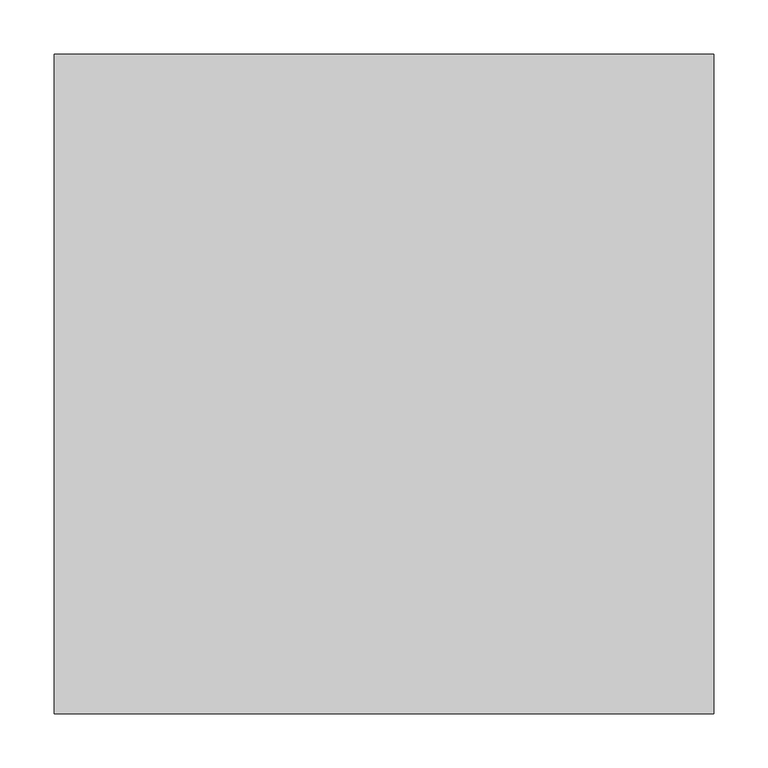
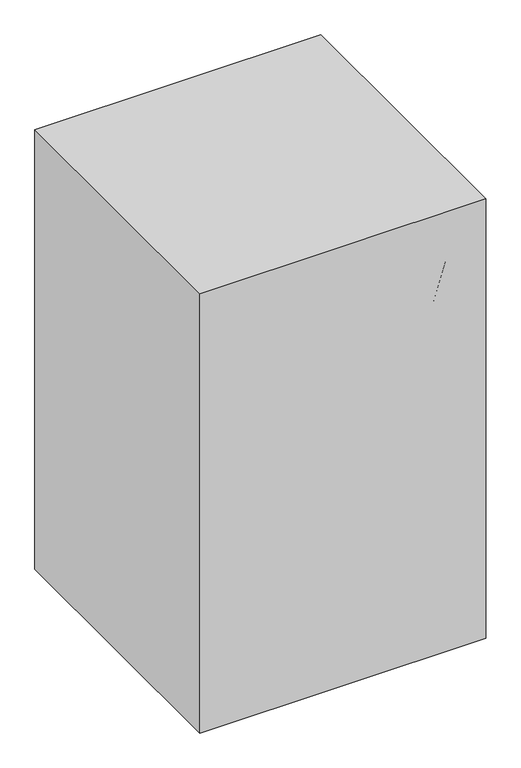
"""IFC4 building model written with IfcOpenShell, lengths in millimetres: proxy geometry."""

import ifcopenshell
import ifcopenshell.guid

model = None  # the IFC model being written
_history = None  # IfcOwnerHistory: only IFC2X3 demands one
_inside = {}  # id of a spatial element -> (the spatial element, [elements in it])
_under = {}  # id of a project, library or spatial element -> (it, [spatial elements below it])
_declared = {}  # id of a project -> (the project, [libraries it declares])
_typed = {}  # id of a type object -> (the type object, [elements of that type])
_made_of = {}  # id of a material, layer set ... -> (it, [elements and type objects made of it])


def new_model(schema):
    """Start an empty IFC model of exactly this schema.

    Asked for "IFC4X3", IfcOpenShell would pick the latest addendum, in which some entities
    have other attributes; the version numbers below select the first issue.
    IFC2X3 requires an IfcOwnerHistory on every rooted entity: one is made here for all.
    """
    global model, _history
    if schema == "IFC4X3":
        model = ifcopenshell.file(schema_version=(4, 3, 0, 0))
    else:
        model = ifcopenshell.file(schema=schema)
    _inside.clear()
    _under.clear()
    _declared.clear()
    _typed.clear()
    _made_of.clear()
    _history = None
    if model.schema == "IFC2X3":
        org = make("IfcOrganization", Name="unknown")
        user = make(
            "IfcPersonAndOrganization",
            ThePerson=make("IfcPerson", FamilyName="unknown"),
            TheOrganization=org,
        )
        app = make(
            "IfcApplication",
            ApplicationDeveloper=org,
            Version="unknown",
            ApplicationFullName="unknown",
            ApplicationIdentifier="unknown",
        )
        _history = make(
            "IfcOwnerHistory",
            OwningUser=user,
            OwningApplication=app,
            ChangeAction="ADDED",
            CreationDate=0,
        )
    return model


def make(cls, **values):
    """One entity of the class cls with the attributes given. An attribute that is None is left unset."""
    return model.create_entity(
        cls, **{name: value for name, value in values.items() if value is not None}
    )


def rooted(cls, **values):
    """An entity with a GlobalId (a new one), such as an element, a storey or a relation."""
    return make(cls, GlobalId=ifcopenshell.guid.new(), OwnerHistory=_history, **values)


def si_unit(unit_type, name, prefix=None):
    """IfcSIUnit, for example si_unit("LENGTHUNIT", "METRE", prefix="MILLI")."""
    return make("IfcSIUnit", UnitType=unit_type, Prefix=prefix, Name=name)


def assignment(units):
    """IfcUnitAssignment: the units of a project."""
    return None if units is None else make("IfcUnitAssignment", Units=units)


def point(xyz):
    """IfcCartesianPoint."""
    return None if xyz is None else make("IfcCartesianPoint", Coordinates=xyz)


def direction(xyz):
    """IfcDirection."""
    return None if xyz is None else make("IfcDirection", DirectionRatios=xyz)


def frame(location, z_axis=None, x_axis=None):
    """IfcAxis2Placement3D, a coordinate frame: its origin and axes. An axis left out is left unset."""
    return make(
        "IfcAxis2Placement3D",
        Location=point(location),
        Axis=direction(z_axis),
        RefDirection=direction(x_axis),
    )


def frame_2d(location, x_axis=None):
    """IfcAxis2Placement2D, a coordinate frame in the plane: its origin and x axis."""
    return make(
        "IfcAxis2Placement2D", Location=point(location), RefDirection=direction(x_axis)
    )


def origin():
    """The frame at (0, 0, 0) with its axes left unset."""
    return frame((0.0, 0.0, 0.0))


def origin_with_axes():
    """The frame at (0, 0, 0) with the z axis (0, 0, 1) and the x axis (1, 0, 0) written out."""
    return frame((0.0, 0.0, 0.0), z_axis=(0.0, 0.0, 1.0), x_axis=(1.0, 0.0, 0.0))


def place(relative_to, where):
    """IfcLocalPlacement: puts the frame where relative to a parent placement (None: the world)."""
    return make(
        "IfcLocalPlacement", PlacementRelTo=relative_to, RelativePlacement=where
    )


def context(
    kind, dimensions, precision=None, world=None, true_north=None, identifier=None
):
    """IfcGeometricRepresentationContext, for example the 3D "Model" context."""
    return make(
        "IfcGeometricRepresentationContext",
        ContextIdentifier=identifier,
        ContextType=kind,
        CoordinateSpaceDimension=dimensions,
        Precision=precision,
        WorldCoordinateSystem=world,
        TrueNorth=true_north,
    )


def project(units=None, contexts=None):
    """IfcProject with its units and contexts."""
    return rooted(
        "IfcProject",
        Name="project",
        RepresentationContexts=contexts,
        UnitsInContext=assignment(units),
    )


def spatial(cls, under=None, at=None, **own):
    """A site, building, storey or space (cls), placed at a placement, below another one or the project."""
    s = rooted(cls, ObjectPlacement=at, **own)
    if under is not None:
        _under.setdefault(under.id(), (under, []))[1].append(s)
    return s


def polyline(points):
    """IfcPolyline through the points."""
    return make("IfcPolyline", Points=[point(p) for p in points])


def circle_curve(where, radius):
    """IfcCircle in the frame where."""
    return make("IfcCircle", Position=where, Radius=radius)


def ellipse_curve(where, semi_axis1, semi_axis2):
    """IfcEllipse in the frame where."""
    return make(
        "IfcEllipse", Position=where, SemiAxis1=semi_axis1, SemiAxis2=semi_axis2
    )


def trimmed(basis, trim1, trim2, sense, master):
    """IfcTrimmedCurve: the piece of a basis curve between two trims."""
    return make(
        "IfcTrimmedCurve",
        BasisCurve=basis,
        Trim1=trim1,
        Trim2=trim2,
        SenseAgreement=sense,
        MasterRepresentation=master,
    )


def segment(curve, same_sense, transition):
    """IfcCompositeCurveSegment."""
    return make(
        "IfcCompositeCurveSegment",
        Transition=transition,
        SameSense=same_sense,
        ParentCurve=curve,
    )


def composite_curve(segments, self_intersect=None):
    """IfcCompositeCurve: segments joined end to end."""
    return make("IfcCompositeCurve", Segments=segments, SelfIntersect=self_intersect)


def outline(outer, holes=None, kind="AREA"):
    """IfcArbitraryClosedProfileDef: a profile drawn as a closed curve; with holes, ...WithVoids."""
    if holes is None:
        return make("IfcArbitraryClosedProfileDef", ProfileType=kind, OuterCurve=outer)
    return make(
        "IfcArbitraryProfileDefWithVoids",
        ProfileType=kind,
        OuterCurve=outer,
        InnerCurves=holes,
    )


def extrude(swept, where, along, depth):
    """IfcExtrudedAreaSolid: the profile swept, set in the frame where, extruded along a direction by depth."""
    return make(
        "IfcExtrudedAreaSolid",
        SweptArea=swept,
        Position=where,
        ExtrudedDirection=direction(along),
        Depth=depth,
    )


def shape(context_of_items, identifier, shape_type, items):
    """IfcShapeRepresentation: the items that make up one representation, for example the "Body"."""
    return make(
        "IfcShapeRepresentation",
        ContextOfItems=context_of_items,
        RepresentationIdentifier=identifier,
        RepresentationType=shape_type,
        Items=items,
    )


def source(mapping_origin, context_of_items, identifier, shape_type, items):
    """IfcRepresentationMap: a shape defined once, which mapped items show again and again."""
    return make(
        "IfcRepresentationMap",
        MappingOrigin=mapping_origin,
        MappedRepresentation=shape(context_of_items, identifier, shape_type, items),
    )


def transform(
    local_origin,
    x_axis=None,
    y_axis=None,
    z_axis=None,
    scale=None,
    scale2=None,
    scale3=None,
    uniform=True,
):
    """IfcCartesianTransformationOperator3D, or its non-uniform kind. x_axis, y_axis, z_axis: its Axis1, 2, 3."""
    if uniform:
        return make(
            "IfcCartesianTransformationOperator3D",
            Axis1=direction(x_axis),
            Axis2=direction(y_axis),
            LocalOrigin=point(local_origin),
            Scale=scale,
            Axis3=direction(z_axis),
        )
    return make(
        "IfcCartesianTransformationOperator3DnonUniform",
        Axis1=direction(x_axis),
        Axis2=direction(y_axis),
        LocalOrigin=point(local_origin),
        Scale=scale,
        Axis3=direction(z_axis),
        Scale2=scale2,
        Scale3=scale3,
    )


def mapped(mapping_source, mapping_target):
    """IfcMappedItem: shows the shape of a source again, moved by a transform."""
    return make(
        "IfcMappedItem", MappingSource=mapping_source, MappingTarget=mapping_target
    )


def made_of(thing, what):
    """Note that an element or type object is made of a material, layer set ...; save() writes the relation."""
    if what is not None:
        _made_of.setdefault(what.id(), (what, []))[1].append(thing)
    return thing


def element(
    cls,
    number,
    at=None,
    inside=None,
    cuts=None,
    type_object=None,
    material=None,
    context=None,
    identifier="Body",
    shape_type=None,
    held_by="IfcProductDefinitionShape",
    body=None,
    shapes=None,
    **own,
):
    """One element of the class cls, such as IfcWall. Its Tag is "e" and its number.

    at: its placement. inside: the storey or other place that contains it. cuts: it is an
    opening in that element (IfcRelVoidsElement). A single representation is given by context,
    identifier, shape_type and body (its items); several are given by shapes. held_by: the class
    of the entity that holds the representations. save() writes the other relations.
    """
    e = rooted(cls, Tag="e%d" % number, ObjectPlacement=at, **own)
    if body is not None:
        shapes = [shape(context, identifier, shape_type, body)]
    if shapes is not None:
        e.Representation = make(held_by, Representations=shapes)
    if inside is not None:
        _inside.setdefault(inside.id(), (inside, []))[1].append(e)
    if cuts is not None:
        rooted(
            "IfcRelVoidsElement", RelatingBuildingElement=cuts, RelatedOpeningElement=e
        )
    if type_object is not None:
        _typed.setdefault(type_object.id(), (type_object, []))[1].append(e)
    return made_of(e, material)


def aggregate(whole, parts):
    """IfcRelAggregates: a whole, such as a stair, and the parts it consists of."""
    return rooted("IfcRelAggregates", RelatingObject=whole, RelatedObjects=parts)


def save(model, path):
    """Write the relations noted so far, then the file.

    IfcRelAggregates (storeys below a building ...), IfcRelContainedInSpatialStructure (elements
    in a storey), IfcRelDefinesByType, IfcRelAssociatesMaterial and IfcRelDeclares: one each for
    every whole, place, type object, material and project.
    """
    for whole, parts in _under.values():
        aggregate(whole, parts)
    for where, things in _inside.values():
        rooted(
            "IfcRelContainedInSpatialStructure",
            RelatedElements=things,
            RelatingStructure=where,
        )
    for kind, things in _typed.values():
        rooted("IfcRelDefinesByType", RelatedObjects=things, RelatingType=kind)
    for what, things in _made_of.values():
        rooted("IfcRelAssociatesMaterial", RelatedObjects=things, RelatingMaterial=what)
    for by, libraries in _declared.values():
        rooted("IfcRelDeclares", RelatingContext=by, RelatedDefinitions=libraries)
    model.write(path)


def plane_surface(at):
    """IfcPlane: the flat surface through the origin of the frame at, square to its z axis."""
    return make("IfcPlane", Position=at)


def cylinder_surface(at, radius):
    """IfcCylindricalSurface: all points at the distance radius from the z axis of the frame at."""
    return make("IfcCylindricalSurface", Position=at, Radius=radius)


def revolved_surface(curve, axis_point, axis_direction):
    """IfcSurfaceOfRevolution: the curve turned about the line through axis_point along axis_direction."""
    return make(
        "IfcSurfaceOfRevolution",
        SweptCurve=make("IfcArbitraryOpenProfileDef", ProfileType="CURVE", Curve=curve),
        AxisPosition=make("IfcAxis1Placement", Location=point(axis_point), Axis=direction(axis_direction)),
    )


def advanced_brep(points, edges, surfaces, faces):
    """IfcAdvancedBrep: a solid bounded by faces that lie on surfaces and meet in shared edges.

    An edge is (start, end): straight between two places in points (the first is 0);
    or (start, end, curve); or (start, end, curve, False) where it runs against its curve.
    A face is (place in surfaces, loops), or (place, loops, False) where it looks against
    its surface's normal. A loop lists edges by number (the first is 1), with a minus sign
    where the edge is run from its end to its start. The first loop is the outer one.
    """
    corners = [point(p) for p in points]
    vertices = [make("IfcVertexPoint", VertexGeometry=c) for c in corners]
    made = []
    for start, end, *more in edges:
        made.append(
            make(
                "IfcEdgeCurve",
                EdgeStart=vertices[start],
                EdgeEnd=vertices[end],
                EdgeGeometry=more[0] if more else make("IfcPolyline", Points=[corners[start], corners[end]]),
                SameSense=more[1] if len(more) > 1 else True,
            )
        )
    hull = []
    for where, loops, *sense in faces:
        bounds = []
        for j, loop in enumerate(loops):
            ring = [make("IfcOrientedEdge", EdgeElement=made[abs(k) - 1], Orientation=k > 0) for k in loop]
            bounds.append(
                make(
                    "IfcFaceOuterBound" if j == 0 else "IfcFaceBound",
                    Bound=make("IfcEdgeLoop", EdgeList=ring),
                    Orientation=True,
                )
            )
        hull.append(make("IfcAdvancedFace", Bounds=bounds, FaceSurface=surfaces[where], SameSense=sense[0] if sense else True))
    return make("IfcAdvancedBrep", Outer=make("IfcClosedShell", CfsFaces=hull))


def specialty_equipment_802716e4(model_context):
    return source(origin(), model_context, "Body", "SolidModel", [
        advanced_brep(
        [(20.5891067, 39.0088165, 158.3164474), (12.606954, 21.8910347, 158.3164474), (12.606954, 21.8910347, 212.7487443), (20.5891067, 39.0088165, 212.7487443), (283.7284885, -83.6950923, 86.0096871), (283.7284885, -83.6950923, 57.6571213), (275.3053581, -100.6072429, 86.2220806), (287.501904, -95.8556376, 82.2734822), (275.3053581, -100.6072429, 57.8258095), (287.501904, -95.8556376, 54.689734)],
        [
            (0, 1),
            (1, 2),
            (2, 3),
            (3, 0),
            (3, 4),
            (4, 5),
            (5, 0),
            (2, 6),
            (6, 7, ellipse_curve(frame((278.918781, -91.8532617, 86.4074773), z_axis=(0.3625792018206629, -0.16907345849670724, 0.9164881276039822), x_axis=(0.8306203267741233, -0.3873246193939933, -0.40006188516396646)), 10.333389, 9.4704283)),
            (7, 4, ellipse_curve(frame((278.918781, -91.8532617, 86.4074773), z_axis=(0.3625792018206629, -0.16907345849670724, 0.9164881276039822), x_axis=(0.8306203267741233, -0.3873246193939933, -0.40006188516396646)), 10.333389, 9.4704283)),
            (1, 8),
            (8, 6),
            (5, 9, ellipse_curve(frame((278.918781, -91.8532617, 57.9730562), z_axis=(-0.2968743688836678, 0.13843479172039067, -0.9448287768380342), x_axis=(0.8563056778646188, -0.3993018953098915, -0.3275646233321667)), 10.0234334, 9.4704283)),
            (9, 8, ellipse_curve(frame((278.918781, -91.8532617, 57.9730562), z_axis=(-0.2968743688836678, 0.13843479172039067, -0.9448287768380342), x_axis=(0.8563056778646188, -0.3993018953098915, -0.3275646233321667)), 10.0234334, 9.4704283)),
            (9, 7),
        ],
        [
            plane_surface(frame((16.5980304, 30.4499256, 185.5325958), z_axis=(-0.9063077870366449, 0.42261826174071043, 0.0), x_axis=(-0.42261826174071043, -0.9063077870366449, 0.0))),
            plane_surface(frame((20.5891067, 39.0088165, 185.5325958), z_axis=(0.4226182617407104, 0.9063077870366448, 0.0), x_axis=(0.0, 0.0, 1.0))),
            plane_surface(frame((16.5980304, 30.4499256, 212.7487443), z_axis=(0.36257920182066294, -0.16907345849670727, 0.9164881276039825), x_axis=(-0.42261826174071043, -0.9063077870366449, 0.0))),
            plane_surface(frame((12.606954, 21.8910347, 185.5325958), z_axis=(-0.4226182617407102, -0.906307787036645, 0.0), x_axis=(0.0, 0.0, -1.0))),
            plane_surface(frame((16.5980304, 30.4499256, 158.3164474), z_axis=(-0.29687436888366786, 0.1384347917203907, -0.9448287768380345), x_axis=(0.42261826174071043, 0.9063077870366449, 0.0))),
            cylinder_surface(frame((278.918781, -91.8532617, 0.0), z_axis=(0.0, 0.0, -1.0000000000000002), x_axis=(-0.9063077870366449, 0.42261826174071043, 0.0)), 9.4704283),
        ],
        [
            (0, [[1, 2, 3, 4]]),
            (1, [[-4, 5, 6, 7]]),
            (2, [[-3, 8, 9, 10, -5]]),
            (3, [[-2, 11, 12, -8]]),
            (4, [[-1, -7, 13, 14, -11]]),
            (5, [[15, -9, -12, -14]]),
            (5, [[-15, -13, -6, -10]]),
        ],
    ),
        extrude(outline(composite_curve([segment(trimmed(circle_curve(frame_2d((-0.4565328, 38.3009494)), 25.4), [point((24.9434672, 38.3009494))], [point((-25.8565328, 38.3009494))], False, "CARTESIAN"), True, "CONTINUOUS"), segment(trimmed(circle_curve(frame_2d((-0.4565328, 38.3009494)), 25.4), [point((-25.8565328, 38.3009494))], [point((24.9434672, 38.3009494))], False, "CARTESIAN"), True, "CONTINUOUS")], self_intersect=False)), frame((0.0, 0.0, 154.0271692), z_axis=(0.0, 0.0, 1.0), x_axis=(1.0, 0.0, 0.0)), (0.0, 0.0, 1.0), 58.7215752),
        advanced_brep(
        [(-229.5082147, -153.1947504, 328.6387079), (232.0214447, -152.7605661, 328.5937403), (236.3508412, -177.6557493, 331.1720849), (-229.5082147, -178.826585, 331.293346), (-229.5082147, -246.1177228, 855.6310718), (-229.5082147, -269.2958289, 844.3699241), (236.3508412, -268.237077, 844.8843217), (232.0214447, -245.7251028, 855.8218273)],
        [
            (0, 1, circle_curve(frame((0.0, 1168.6045098, 191.7425871), z_axis=(0.0, 0.10301698777210262, 0.9946795967699159), x_axis=(-1.0, 0.0, 0.0)), 1348.5428628)),
            (1, 2, circle_curve(frame((232.0214447, -165.5806144, 329.9214872), z_axis=(0.0, -0.10301698777210262, -0.9946795967699159), x_axis=(-1.0, 0.0, 0.0)), 12.888621)),
            (2, 3, circle_curve(frame((0.0, 1168.6045098, 191.7425871), z_axis=(0.0, -0.10301698777210262, -0.9946795967699159), x_axis=(-1.0, 0.0, 0.0)), 1373.9428628)),
            (3, 0, circle_curve(frame((-229.5082147, -166.0106677, 329.9660269), z_axis=(0.0, -0.10301698777210262, -0.9946795967699159), x_axis=(-1.0, 0.0, 0.0)), 12.8844679)),
            (4, 5, circle_curve(frame((-229.5082147, -257.7067759, 850.0004979), z_axis=(0.0, -0.4370047614753844, 0.8994591922082082), x_axis=(-1.0, 0.0, 0.0)), 12.8844679)),
            (5, 6, circle_curve(frame((0.0, 949.1460573, 1436.3533187), z_axis=(0.0, -0.4370047614753844, 0.8994591922082082), x_axis=(-1.0, 0.0, 0.0)), 1373.9428628)),
            (6, 7, circle_curve(frame((232.0214447, -257.3178914, 850.1894385), z_axis=(0.0, -0.4370047614753844, 0.8994591922082082), x_axis=(-1.0, 0.0, 0.0)), 12.888621)),
            (7, 4, circle_curve(frame((0.0, 949.1460573, 1436.3533187), z_axis=(0.0, 0.4370047614753844, -0.8994591922082082), x_axis=(-1.0, 0.0, 0.0)), 1348.5428628)),
            (7, 1, circle_curve(frame((232.0214447, -1123.8751957, 429.1701512), z_axis=(-1.0, 0.0, 0.0), x_axis=(0.0, 0.9946795967699159, -0.10301698777210261)), 976.308987)),
            (0, 4, circle_curve(frame((-229.5082147, -1123.8751957, 429.1701512), z_axis=(1.0, 0.0, 0.0), x_axis=(0.0, 0.9946795967699159, -0.10301698777210261)), 975.8724803)),
            (6, 2, circle_curve(frame((236.3508412, -1123.8751957, 429.1701512), z_axis=(-1.0, 0.0, 0.0), x_axis=(0.0, 0.9946795967699159, -0.10301698777210261)), 951.280643)),
            (5, 3, circle_curve(frame((-229.5082147, -1123.8751957, 429.1701512), z_axis=(-1.0, 0.0, 0.0), x_axis=(0.0, 0.9946795967699159, -0.10301698777210261)), 950.1035446)),
        ],
        [
            plane_surface(frame((-317.5, -135.0564347, 326.7601586), z_axis=(0.0, -0.10301698777210258, -0.994679596769916), x_axis=(-1.0, 0.0, 0.0))),
            plane_surface(frame((-317.5, -229.715783, 863.6), z_axis=(0.0, -0.4370047614753844, 0.8994591922082082), x_axis=(-1.0, 0.0, 0.0))),
            revolved_surface(trimmed(ellipse_curve(frame((0.0, 1168.6045098, 191.7425871), z_axis=(0.0, 0.10301698777210262, 0.9946795967699159), x_axis=(-1.0, 0.0, 0.0)), 1348.5428628, 1348.5428628), [point((-229.5082147, -153.1947504, 328.6387079))], [point((232.0214447, -152.7605661, 328.5937403))], True, "CARTESIAN"), (-317.5, -1123.8751957, 429.1701512), (1.0, 0.0, 0.0)),
            revolved_surface(trimmed(ellipse_curve(frame((232.0214447, -165.5806144, 329.9214872), z_axis=(0.0, -0.10301698777210262, -0.9946795967699159), x_axis=(-1.0, 0.0, 0.0)), 12.888621, 12.888621), [point((232.0214447, -152.7605661, 328.5937403))], [point((236.3508412, -177.6557493, 331.1720849))], True, "CARTESIAN"), (-317.5, -1123.8751957, 429.1701512), (1.0, 0.0, 0.0)),
            revolved_surface(trimmed(ellipse_curve(frame((0.0, 1168.6045098, 191.7425871), z_axis=(0.0, -0.10301698777210262, -0.9946795967699159), x_axis=(-1.0, 0.0, 0.0)), 1373.9428628, 1373.9428628), [point((236.3508412, -177.6557493, 331.1720849))], [point((-229.5082147, -178.826585, 331.293346))], True, "CARTESIAN"), (-317.5, -1123.8751957, 429.1701512), (1.0, 0.0, 0.0)),
            revolved_surface(trimmed(ellipse_curve(frame((-229.5082147, -166.0106677, 329.9660269), z_axis=(0.0, -0.10301698777210262, -0.9946795967699159), x_axis=(-1.0, 0.0, 0.0)), 12.8844679, 12.8844679), [point((-229.5082147, -178.826585, 331.293346))], [point((-229.5082147, -153.1947504, 328.6387079))], True, "CARTESIAN"), (-317.5, -1123.8751957, 429.1701512), (1.0, 0.0, 0.0)),
        ],
        [
            (0, [[1, 2, 3, 4]]),
            (1, [[5, 6, 7, 8]]),
            (2, [[9, -1, 10, -8]]),
            (3, [[11, -2, -9, -7]]),
            (4, [[12, -3, -11, -6]]),
            (5, [[-10, -4, -12, -5]]),
        ],
    ),
        extrude(outline(composite_curve([segment(polyline([(-213.079753, -135.9379297), (-213.079753, 221.0075832)]), True, "CONTINUOUS"), segment(trimmed(circle_curve(frame_2d((-186.3342402, 221.0075832)), 26.7455128), [point((-213.079753, 221.0075832))], [point((-186.3342402, 247.753096))], False, "CARTESIAN"), True, "CONTINUOUS"), segment(polyline([(-186.3342402, 247.753096), (194.6657598, 247.753096)]), True, "CONTINUOUS"), segment(trimmed(circle_curve(frame_2d((194.6657598, 221.0075832)), 26.7455128), [point((194.6657598, 247.753096))], [point((221.4112726, 221.0075832))], False, "CARTESIAN"), True, "CONTINUOUS"), segment(polyline([(221.4112726, 221.0075832), (221.4112726, -135.9379297), (-213.079753, -135.9379297)]), True, "CONTINUOUS")], self_intersect=False)), frame((0.0, 0.0, 324.0440254), z_axis=(0.0, 0.0, 1.0), x_axis=(1.0, 0.0, 0.0)), (0.0, 0.0, 1.0), 67.8491407),
        advanced_brep(
        [(-213.079753, -134.5924168, 391.8931661), (-211.7342402, -135.9379297, 391.8931661), (-211.7342402, -135.9379297, 324.0440254), (-213.079753, -134.5924168, 324.0440254), (-213.079753, 221.0075832, 324.0440254), (-213.079753, 221.0075832, 391.8931661), (-186.3342402, 247.753096, 391.8931661), (-186.3342402, 247.753096, 324.0440254), (194.6657598, 247.753096, 324.0440254), (194.6657598, 247.753096, 391.8931661), (221.4112726, 221.0075832, 391.8931661), (221.4112726, 221.0075832, 324.0440254), (221.4112726, -134.5924168, 324.0440254), (221.4112726, -134.5924168, 391.8931661), (220.0657598, -135.9379297, 391.8931661), (220.0657598, -135.9379297, 324.0440254)],
        [
            (0, 1, circle_curve(frame((-211.7342402, -134.5924168, 391.8931661), z_axis=(0.0, 0.0, 1.0), x_axis=(0.0, -1.0, 0.0)), 1.3455128)),
            (1, 2),
            (2, 3, circle_curve(frame((-211.7342402, -134.5924168, 324.0440254), z_axis=(0.0, 0.0, -1.0), x_axis=(0.0, -1.0, 0.0)), 1.3455128)),
            (3, 0),
            (2, 1, circle_curve(frame((-211.7342402, -135.9379297, 357.9685958), z_axis=(-1.0, 0.0, 0.0), x_axis=(0.0, 1.0, 0.0)), 33.9245703)),
            (0, 3, circle_curve(frame((-213.079753, -134.5924168, 357.9685958), z_axis=(0.0, -1.0, 0.0), x_axis=(1.0, 0.0, 0.0)), 33.9245703)),
            (3, 4),
            (4, 5),
            (5, 0),
            (5, 4, circle_curve(frame((-213.079753, 221.0075832, 357.9685958), z_axis=(0.0, -1.0, 0.0), x_axis=(1.0, 0.0, 0.0)), 33.9245703)),
            (6, 5, circle_curve(frame((-186.3342402, 221.0075832, 391.8931661), z_axis=(0.0, 0.0, 1.0), x_axis=(-1.0, 0.0, 0.0)), 26.7455128)),
            (4, 7, circle_curve(frame((-186.3342402, 221.0075832, 324.0440254), z_axis=(0.0, 0.0, -1.0), x_axis=(-1.0, 0.0, 0.0)), 26.7455128)),
            (7, 6),
            (6, 7, circle_curve(frame((-186.3342402, 247.753096, 357.9685958), z_axis=(-1.0, 0.0, 0.0), x_axis=(0.0, -1.0, 0.0)), 33.9245703)),
            (7, 8),
            (8, 9),
            (9, 6),
            (9, 8, circle_curve(frame((194.6657598, 247.753096, 357.9685958), z_axis=(-1.0, 0.0, 0.0), x_axis=(0.0, -1.0, 0.0)), 33.9245703)),
            (10, 9, circle_curve(frame((194.6657598, 221.0075832, 391.8931661), z_axis=(0.0, 0.0, 1.0), x_axis=(0.0, 1.0, 0.0)), 26.7455128)),
            (8, 11, circle_curve(frame((194.6657598, 221.0075832, 324.0440254), z_axis=(0.0, 0.0, -1.0), x_axis=(0.0, 1.0, 0.0)), 26.7455128)),
            (11, 10),
            (10, 11, circle_curve(frame((221.4112726, 221.0075832, 357.9685958), z_axis=(0.0, 1.0, 0.0), x_axis=(-1.0, 0.0, 0.0)), 33.9245703)),
            (11, 12),
            (12, 13),
            (13, 10),
            (13, 12, circle_curve(frame((221.4112726, -134.5924168, 357.9685958), z_axis=(0.0, 1.0, 0.0), x_axis=(-1.0, 0.0, 0.0)), 33.9245703)),
            (14, 13, circle_curve(frame((220.0657598, -134.5924168, 391.8931661), z_axis=(0.0, 0.0, 1.0), x_axis=(1.0, 0.0, 0.0)), 1.3455128)),
            (12, 15, circle_curve(frame((220.0657598, -134.5924168, 324.0440254), z_axis=(0.0, 0.0, -1.0), x_axis=(1.0, 0.0, 0.0)), 1.3455128)),
            (15, 14),
            (14, 15, circle_curve(frame((220.0657598, -135.9379297, 357.9685958), z_axis=(1.0, 0.0, 0.0), x_axis=(0.0, 1.0, 0.0)), 33.9245703)),
            (15, 2),
            (1, 14),
        ],
        [
            revolved_surface(polyline([(-211.7342402, -135.9379296, 324.0440254), (-211.7342402, -135.9379296, 391.8931661)]), (-211.7342402, -134.5924168, 0.0), (0.0, 0.0, -1.0)),
            revolved_surface(trimmed(ellipse_curve(frame((-211.7342402, -135.9379297, 357.9685958), z_axis=(1.0, 0.0, 0.0), x_axis=(0.0, 1.0, 0.0)), 33.9245703, 33.9245703), [point((-211.7342402, -135.9379297, 391.8931661))], [point((-211.7342402, -135.9379297, 324.0440254))], True, "CARTESIAN"), (-211.7342402, -134.5924168, 0.0), (0.0, 0.0, -1.0)),
            plane_surface(frame((-213.079753, -134.5924168, 324.0440254), z_axis=(1.0, 0.0, 0.0), x_axis=(0.0, 1.0, 0.0))),
            cylinder_surface(frame((-213.079753, -134.5924168, 357.9685958), z_axis=(0.0, -1.0, 0.0), x_axis=(1.0, 0.0, 0.0)), 33.9245703),
            revolved_surface(polyline([(-213.079753, 221.0075832, 324.0440254), (-213.079753, 221.0075832, 391.8931661)]), (-186.3342402, 221.0075832, 0.0), (0.0, 0.0, -1.0)),
            revolved_surface(trimmed(ellipse_curve(frame((-213.079753, 221.0075832, 357.9685958), z_axis=(0.0, -1.0, 0.0), x_axis=(1.0, 0.0, 0.0)), 33.9245703, 33.9245703), [point((-213.079753, 221.0075832, 391.8931661))], [point((-213.079753, 221.0075832, 324.0440254))], True, "CARTESIAN"), (-186.3342402, 221.0075832, 0.0), (0.0, 0.0, -1.0)),
            plane_surface(frame((-186.3342402, 247.753096, 324.0440254), z_axis=(0.0, -1.0, 0.0), x_axis=(1.0, 0.0, 0.0))),
            cylinder_surface(frame((-186.3342402, 247.753096, 357.9685958), z_axis=(-1.0, 0.0, 0.0), x_axis=(0.0, -1.0, 0.0)), 33.9245703),
            revolved_surface(polyline([(194.6657598, 247.753096, 324.0440254), (194.6657598, 247.753096, 391.8931661)]), (194.6657598, 221.0075832, 0.0), (0.0, 0.0, -1.0)),
            revolved_surface(trimmed(ellipse_curve(frame((194.6657598, 247.753096, 357.9685958), z_axis=(-1.0, 0.0, 0.0), x_axis=(0.0, -1.0, 0.0)), 33.9245703, 33.9245703), [point((194.6657598, 247.753096, 391.8931661))], [point((194.6657598, 247.753096, 324.0440254))], True, "CARTESIAN"), (194.6657598, 221.0075832, 0.0), (0.0, 0.0, -1.0)),
            plane_surface(frame((221.4112726, 221.0075832, 324.0440254), z_axis=(-1.0, 0.0, 0.0), x_axis=(0.0, -1.0, 0.0))),
            cylinder_surface(frame((221.4112726, 221.0075832, 357.9685958), z_axis=(0.0, 1.0, 0.0), x_axis=(-1.0, 0.0, 0.0)), 33.9245703),
            revolved_surface(polyline([(221.4112726, -134.5924168, 324.0440254), (221.4112726, -134.5924168, 391.8931661)]), (220.0657598, -134.5924168, 0.0), (0.0, 0.0, -1.0)),
            revolved_surface(trimmed(ellipse_curve(frame((221.4112726, -134.5924168, 357.9685958), z_axis=(0.0, 1.0, 0.0), x_axis=(-1.0, 0.0, 0.0)), 33.9245703, 33.9245703), [point((221.4112726, -134.5924168, 391.8931661))], [point((221.4112726, -134.5924168, 324.0440254))], True, "CARTESIAN"), (220.0657598, -134.5924168, 0.0), (0.0, 0.0, -1.0)),
            plane_surface(frame((220.0657598, -135.9379297, 324.0440254), z_axis=(0.0, 1.0, 0.0), x_axis=(-1.0, 0.0, 0.0))),
            cylinder_surface(frame((220.0657598, -135.9379297, 357.9685958), z_axis=(1.0, 0.0, 0.0), x_axis=(0.0, 1.0, 0.0)), 33.9245703),
        ],
        [
            (0, [[1, 2, 3, 4]]),
            (1, [[-3, 5, -1, 6]]),
            (2, [[-4, 7, 8, 9]]),
            (3, [[-6, -9, 10, -7]]),
            (4, [[11, -8, 12, 13]]),
            (5, [[-12, -10, -11, 14]]),
            (6, [[-13, 15, 16, 17]]),
            (7, [[-14, -17, 18, -15]]),
            (8, [[19, -16, 20, 21]]),
            (9, [[-20, -18, -19, 22]]),
            (10, [[-21, 23, 24, 25]]),
            (11, [[-22, -25, 26, -23]]),
            (12, [[27, -24, 28, 29]]),
            (13, [[-28, -26, -27, 30]]),
            (14, [[-29, 31, -2, 32]]),
            (15, [[-30, -32, -5, -31]]),
        ],
    ),
        extrude(outline(composite_curve([segment(trimmed(circle_curve(frame_2d((0.0, 38.1)), 12.7), [point((12.7, 38.1))], [point((-12.7, 38.1))], False, "CARTESIAN"), True, "CONTINUOUS"), segment(trimmed(circle_curve(frame_2d((0.0, 38.1)), 12.7), [point((-12.7, 38.1))], [point((12.7, 38.1))], False, "CARTESIAN"), True, "CONTINUOUS")], self_intersect=False)), frame((0.0, 0.0, 212.7487443), z_axis=(0.0, 0.0, 1.0), x_axis=(1.0, 0.0, 0.0)), (0.0, 0.0, 1.0), 66.217703),
        extrude(outline(polyline([(304.8, 304.8), (304.8, -304.8), (-304.8, -304.8), (-304.8, 304.8), (304.8, 304.8)])), origin_with_axes(), (0.0, 0.0, 1.0), 990.6),
    ])


if __name__ == "__main__":
    model = new_model("IFC4")
    model_context = context("Model", 3, world=origin())
    ifc_project = project(units=[si_unit("LENGTHUNIT", "METRE", prefix="MILLI")], contexts=[model_context])
    site = spatial("IfcSite", under=ifc_project)
    building = spatial("IfcBuilding", under=site)
    placement = place(None, origin())
    specialty_equipment_shape = specialty_equipment_802716e4(model_context)
    element("IfcBuildingElementProxy", 1, Name="Specialty Equipment", at=placement, inside=building, context=model_context, shape_type="MappedRepresentation", body=[
        mapped(specialty_equipment_shape, transform((0.0, 0.0, 0.0), x_axis=(1.0, 0.0, 0.0), y_axis=(0.0, 1.0, 0.0), z_axis=(0.0, 0.0, 1.0))),
    ])
    save(model, "model.ifc")
